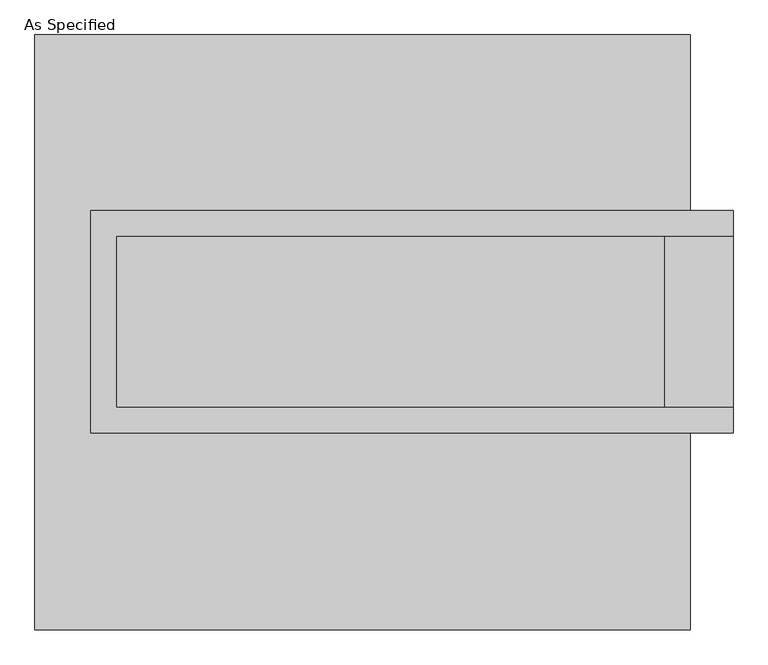
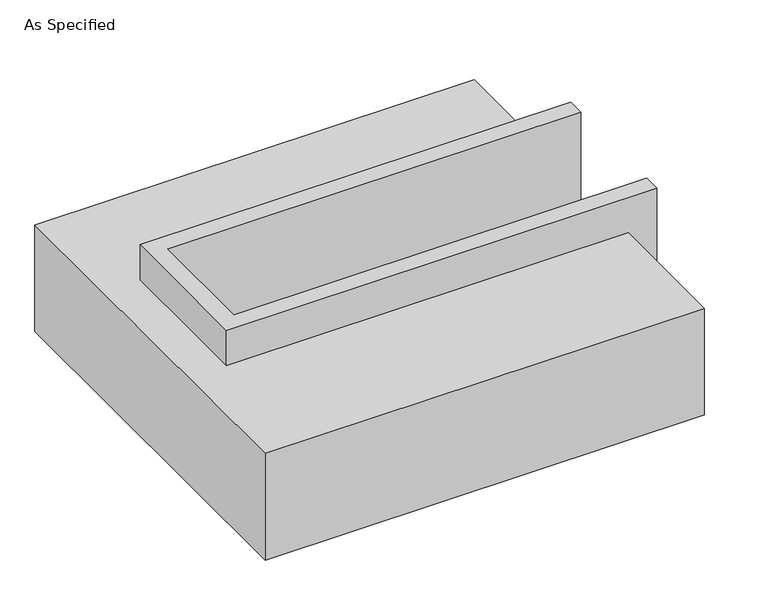
"""IFC4 building model written with IfcOpenShell, lengths in millimetres: proxy geometry, As Specified."""

import ifcopenshell
import ifcopenshell.guid

model = None  # the IFC model being written
_history = None  # IfcOwnerHistory: only IFC2X3 demands one
_inside = {}  # id of a spatial element -> (the spatial element, [elements in it])
_under = {}  # id of a project, library or spatial element -> (it, [spatial elements below it])
_declared = {}  # id of a project -> (the project, [libraries it declares])
_typed = {}  # id of a type object -> (the type object, [elements of that type])
_made_of = {}  # id of a material, layer set ... -> (it, [elements and type objects made of it])


def new_model(schema):
    """Start an empty IFC model of exactly this schema.

    Asked for "IFC4X3", IfcOpenShell would pick the latest addendum, in which some entities
    have other attributes; the version numbers below select the first issue.
    IFC2X3 requires an IfcOwnerHistory on every rooted entity: one is made here for all.
    """
    global model, _history
    if schema == "IFC4X3":
        model = ifcopenshell.file(schema_version=(4, 3, 0, 0))
    else:
        model = ifcopenshell.file(schema=schema)
    _inside.clear()
    _under.clear()
    _declared.clear()
    _typed.clear()
    _made_of.clear()
    _history = None
    if model.schema == "IFC2X3":
        org = make("IfcOrganization", Name="unknown")
        user = make(
            "IfcPersonAndOrganization",
            ThePerson=make("IfcPerson", FamilyName="unknown"),
            TheOrganization=org,
        )
        app = make(
            "IfcApplication",
            ApplicationDeveloper=org,
            Version="unknown",
            ApplicationFullName="unknown",
            ApplicationIdentifier="unknown",
        )
        _history = make(
            "IfcOwnerHistory",
            OwningUser=user,
            OwningApplication=app,
            ChangeAction="ADDED",
            CreationDate=0,
        )
    return model


def make(cls, **values):
    """One entity of the class cls with the attributes given. An attribute that is None is left unset."""
    return model.create_entity(
        cls, **{name: value for name, value in values.items() if value is not None}
    )


def rooted(cls, **values):
    """An entity with a GlobalId (a new one), such as an element, a storey or a relation."""
    return make(cls, GlobalId=ifcopenshell.guid.new(), OwnerHistory=_history, **values)


def si_unit(unit_type, name, prefix=None):
    """IfcSIUnit, for example si_unit("LENGTHUNIT", "METRE", prefix="MILLI")."""
    return make("IfcSIUnit", UnitType=unit_type, Prefix=prefix, Name=name)


def assignment(units):
    """IfcUnitAssignment: the units of a project."""
    return None if units is None else make("IfcUnitAssignment", Units=units)


def point(xyz):
    """IfcCartesianPoint."""
    return None if xyz is None else make("IfcCartesianPoint", Coordinates=xyz)


def direction(xyz):
    """IfcDirection."""
    return None if xyz is None else make("IfcDirection", DirectionRatios=xyz)


def frame(location, z_axis=None, x_axis=None):
    """IfcAxis2Placement3D, a coordinate frame: its origin and axes. An axis left out is left unset."""
    return make(
        "IfcAxis2Placement3D",
        Location=point(location),
        Axis=direction(z_axis),
        RefDirection=direction(x_axis),
    )


def origin():
    """The frame at (0, 0, 0) with its axes left unset."""
    return frame((0.0, 0.0, 0.0))


def place(relative_to, where):
    """IfcLocalPlacement: puts the frame where relative to a parent placement (None: the world)."""
    return make(
        "IfcLocalPlacement", PlacementRelTo=relative_to, RelativePlacement=where
    )


def context(
    kind, dimensions, precision=None, world=None, true_north=None, identifier=None
):
    """IfcGeometricRepresentationContext, for example the 3D "Model" context."""
    return make(
        "IfcGeometricRepresentationContext",
        ContextIdentifier=identifier,
        ContextType=kind,
        CoordinateSpaceDimension=dimensions,
        Precision=precision,
        WorldCoordinateSystem=world,
        TrueNorth=true_north,
    )


def project(units=None, contexts=None):
    """IfcProject with its units and contexts."""
    return rooted(
        "IfcProject",
        Name="project",
        RepresentationContexts=contexts,
        UnitsInContext=assignment(units),
    )


def spatial(cls, under=None, at=None, **own):
    """A site, building, storey or space (cls), placed at a placement, below another one or the project."""
    s = rooted(cls, ObjectPlacement=at, **own)
    if under is not None:
        _under.setdefault(under.id(), (under, []))[1].append(s)
    return s


def faces_of(points, faces, orient=None, outer=None):
    """IfcFace entities. A face is a list of loops; a loop is a list of indices into points, from 0.

    orient and outer hold one flag for each loop. By default every Orientation is true, the
    first loop of a face is its IfcFaceOuterBound and the others are IfcFaceBound.
    """
    made = []
    for i, loops in enumerate(faces):
        bounds = []
        for j, loop in enumerate(loops):
            is_outer = j == 0 if outer is None else outer[i][j]
            bounds.append(
                make(
                    "IfcFaceOuterBound" if is_outer else "IfcFaceBound",
                    Bound=make("IfcPolyLoop", Polygon=[points[k] for k in loop]),
                    Orientation=True if orient is None else orient[i][j],
                )
            )
        made.append(make("IfcFace", Bounds=bounds))
    return made


def faceted_brep(points, faces, orient=None, outer=None, voids=None):
    """IfcFacetedBrep: a solid bounded by flat faces; with voids (closed shells), ...WithVoids."""
    shared = [point(p) for p in points]
    hull = make("IfcClosedShell", CfsFaces=faces_of(shared, faces, orient, outer))
    if voids is None:
        return make("IfcFacetedBrep", Outer=hull)
    return make(
        "IfcFacetedBrepWithVoids",
        Outer=hull,
        Voids=[
            make(cls, CfsFaces=faces_of(shared, fs, o, b)) for cls, fs, o, b in voids
        ],
    )


def shape(context_of_items, identifier, shape_type, items):
    """IfcShapeRepresentation: the items that make up one representation, for example the "Body"."""
    return make(
        "IfcShapeRepresentation",
        ContextOfItems=context_of_items,
        RepresentationIdentifier=identifier,
        RepresentationType=shape_type,
        Items=items,
    )


def source(mapping_origin, context_of_items, identifier, shape_type, items):
    """IfcRepresentationMap: a shape defined once, which mapped items show again and again."""
    return make(
        "IfcRepresentationMap",
        MappingOrigin=mapping_origin,
        MappedRepresentation=shape(context_of_items, identifier, shape_type, items),
    )


def transform(
    local_origin,
    x_axis=None,
    y_axis=None,
    z_axis=None,
    scale=None,
    scale2=None,
    scale3=None,
    uniform=True,
):
    """IfcCartesianTransformationOperator3D, or its non-uniform kind. x_axis, y_axis, z_axis: its Axis1, 2, 3."""
    if uniform:
        return make(
            "IfcCartesianTransformationOperator3D",
            Axis1=direction(x_axis),
            Axis2=direction(y_axis),
            LocalOrigin=point(local_origin),
            Scale=scale,
            Axis3=direction(z_axis),
        )
    return make(
        "IfcCartesianTransformationOperator3DnonUniform",
        Axis1=direction(x_axis),
        Axis2=direction(y_axis),
        LocalOrigin=point(local_origin),
        Scale=scale,
        Axis3=direction(z_axis),
        Scale2=scale2,
        Scale3=scale3,
    )


def mapped(mapping_source, mapping_target):
    """IfcMappedItem: shows the shape of a source again, moved by a transform."""
    return make(
        "IfcMappedItem", MappingSource=mapping_source, MappingTarget=mapping_target
    )


def made_of(thing, what):
    """Note that an element or type object is made of a material, layer set ...; save() writes the relation."""
    if what is not None:
        _made_of.setdefault(what.id(), (what, []))[1].append(thing)
    return thing


def element(
    cls,
    number,
    at=None,
    inside=None,
    cuts=None,
    type_object=None,
    material=None,
    context=None,
    identifier="Body",
    shape_type=None,
    held_by="IfcProductDefinitionShape",
    body=None,
    shapes=None,
    **own,
):
    """One element of the class cls, such as IfcWall. Its Tag is "e" and its number.

    at: its placement. inside: the storey or other place that contains it. cuts: it is an
    opening in that element (IfcRelVoidsElement). A single representation is given by context,
    identifier, shape_type and body (its items); several are given by shapes. held_by: the class
    of the entity that holds the representations. save() writes the other relations.
    """
    e = rooted(cls, Tag="e%d" % number, ObjectPlacement=at, **own)
    if body is not None:
        shapes = [shape(context, identifier, shape_type, body)]
    if shapes is not None:
        e.Representation = make(held_by, Representations=shapes)
    if inside is not None:
        _inside.setdefault(inside.id(), (inside, []))[1].append(e)
    if cuts is not None:
        rooted(
            "IfcRelVoidsElement", RelatingBuildingElement=cuts, RelatedOpeningElement=e
        )
    if type_object is not None:
        _typed.setdefault(type_object.id(), (type_object, []))[1].append(e)
    return made_of(e, material)


def aggregate(whole, parts):
    """IfcRelAggregates: a whole, such as a stair, and the parts it consists of."""
    return rooted("IfcRelAggregates", RelatingObject=whole, RelatedObjects=parts)


def save(model, path):
    """Write the relations noted so far, then the file.

    IfcRelAggregates (storeys below a building ...), IfcRelContainedInSpatialStructure (elements
    in a storey), IfcRelDefinesByType, IfcRelAssociatesMaterial and IfcRelDeclares: one each for
    every whole, place, type object, material and project.
    """
    for whole, parts in _under.values():
        aggregate(whole, parts)
    for where, things in _inside.values():
        rooted(
            "IfcRelContainedInSpatialStructure",
            RelatedElements=things,
            RelatingStructure=where,
        )
    for kind, things in _typed.values():
        rooted("IfcRelDefinesByType", RelatedObjects=things, RelatingType=kind)
    for what, things in _made_of.values():
        rooted("IfcRelAssociatesMaterial", RelatedObjects=things, RelatingMaterial=what)
    for by, libraries in _declared.values():
        rooted("IfcRelDeclares", RelatingContext=by, RelatedDefinitions=libraries)
    model.write(path)


def as_specified_caef9ec1(model_context):
    return source(origin(), model_context, "Body", "Brep", [
        faceted_brep([(-806.45, 361.95, 139.7), (-806.45, 361.95, -393.7), (-806.45, 285.75, -393.7), (-806.45, 285.75, -25.4), (-806.45, -222.25, -25.4), (-806.45, -222.25, -393.7), (-806.45, -298.45, -393.7), (-806.45, -298.45, 139.7), (1098.55, 285.75, 139.7), (1098.55, 285.75, -317.5), (1098.55, -222.25, -317.5), (1098.55, -222.25, 139.7), (1098.55, -298.45, 139.7), (1098.55, -298.45, -393.7), (1098.55, 361.95, -393.7), (1098.55, 361.95, 139.7), (-730.25, -222.25, 139.7), (-730.25, 285.75, 139.7), (895.35, -222.25, -393.7), (895.35, 285.75, -393.7), (895.35, -222.25, -317.5), (-730.25, -222.25, -25.4), (895.35, 285.75, -317.5), (-730.25, 285.75, -25.4)], [[[0, 1, 2, 3, 4, 5, 6, 7]], [[8, 9, 10, 11, 12, 13, 14, 15]], [[0, 7, 12, 11, 16, 17, 8, 15]], [[1, 0, 15, 14]], [[14, 13, 6, 5, 18, 19, 2, 1]], [[7, 6, 13, 12]], [[11, 10, 20, 18, 5, 4, 21, 16]], [[10, 9, 22, 20]], [[9, 8, 17, 23, 3, 2, 19, 22]], [[18, 20, 22, 19]], [[23, 21, 4, 3]], [[17, 16, 21, 23]]]),
        faceted_brep([(-971.55, 882.65, -523.9742188), (971.55, 882.65, -523.9742188), (971.55, -882.65, -523.9742188), (-971.55, -882.65, -523.9742188), (971.55, 882.65, -25.4), (-971.55, 882.65, -25.4), (-971.55, -882.65, -25.4), (971.55, -882.65, -25.4), (971.55, -298.45, -25.4), (-806.45, -298.45, -25.4), (-806.45, 361.95, -25.4), (971.55, 361.95, -25.4), (971.55, 361.95, -393.7), (971.55, -298.45, -393.7), (-806.45, -298.45, -393.7), (-806.45, 361.95, -393.7)], [[[0, 1, 2, 3]], [[4, 5, 6, 7, 8, 9, 10, 11]], [[1, 0, 5, 4]], [[5, 0, 3, 6]], [[1, 4, 11, 12, 13, 8, 7, 2]], [[3, 2, 7, 6]], [[14, 15, 10, 9]], [[10, 15, 12, 11]], [[15, 14, 13, 12]], [[14, 9, 8, 13]]]),
    ])


if __name__ == "__main__":
    model = new_model("IFC4")
    model_context = context("Model", 3, world=origin())
    ifc_project = project(units=[si_unit("LENGTHUNIT", "METRE", prefix="MILLI")], contexts=[model_context])
    site = spatial("IfcSite", under=ifc_project)
    building = spatial("IfcBuilding", under=site)
    placement = place(None, origin())
    as_specified_shape = as_specified_caef9ec1(model_context)
    element("IfcBuildingElementProxy", 1, Name="As Specified", ObjectType="As Specified", at=placement, inside=building, context=model_context, shape_type="MappedRepresentation", body=[
        mapped(as_specified_shape, transform((0.0, 0.0, 0.0), x_axis=(1.0, 0.0, 0.0), y_axis=(0.0, 1.0, 0.0), z_axis=(0.0, 0.0, 1.0))),
    ])
    save(model, "model.ifc")
